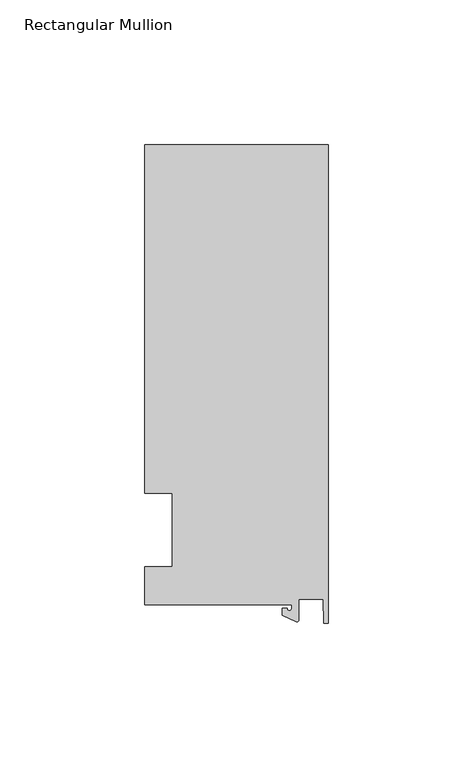
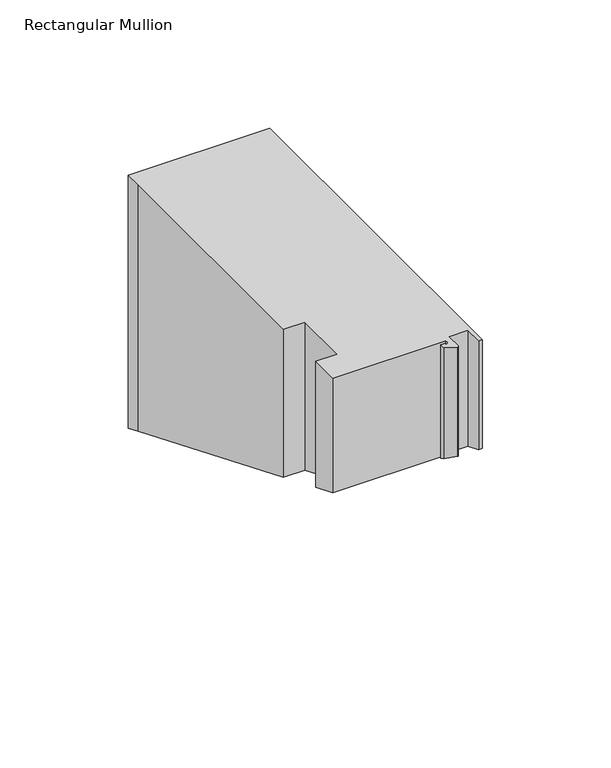
"""IFC4 building model written with IfcOpenShell, lengths in millimetres: member geometry, Rectangular Mullion."""

from ifc_helpers import new_model, si_unit, frame, origin, place, context, project, spatial, polyline, circle_curve, ellipse_curve, source, transform, mapped, element, save
from ifc_brep_helpers import plane_surface, cylinder_surface, revolved_surface, advanced_brep


def rectangular_mullion_0b02ddea(model_context):
    return source(origin(), model_context, "Body", "AdvancedBrep", [
        advanced_brep(
        [(-12.6173814, -25.796875, 0.0), (-12.6173814, -27.0827507, 0.0), (-14.2048814, -27.0827507, 0.0), (-15.7923814, -27.0827507, 0.0), (-15.7923814, -29.44495, 0.0), (-10.9524715, -31.7018371, 0.0), (-10.2297814, -31.2414327, 0.0), (-10.2297814, -23.9227662, 0.0), (-1.7144124, -23.9227662, 0.0), (-1.5658966, -32.288874, 0.0), (0.0, -32.288874, 0.0), (0.0, 133.34365, 0.0), (-63.5, 133.34365, 0.0), (-63.5, 125.8114907, 0.0), (-63.5, 12.7, 0.0), (-53.975, 12.7, 0.0), (-53.975, -12.7, 0.0), (-63.5, -12.7, 0.0), (-63.5, -25.796875, 0.0), (-12.6173814, -25.796875, -54.4020845), (-12.6173814, -27.0827507, -53.8694574), (-14.2048814, -27.0827507, -53.8694574), (-15.7923814, -27.0827507, -53.8694574), (-15.7923814, -29.44495, -52.8910024), (-10.9524715, -31.7018371, -51.9561691), (-10.2297814, -31.2414327, -52.1468749), (-10.2297814, -23.9227662, -55.1783658), (-1.7144124, -23.9227662, -55.1783658), (-1.5658966, -32.288874, -51.7130105), (0.0, -32.288874, -51.7130105), (0.0, 133.34365, -120.3202483), (-63.5, 133.34365, -120.3202483), (-63.5, 125.8114907, -117.2003257), (-63.5, 12.7, -70.3480122), (-53.975, 12.7, -70.3480122), (-53.975, -12.7, -59.8269878), (-63.5, -12.7, -59.8269878), (-63.5, -25.796875, -54.4020845)],
        [
            (0, 1),
            (1, 2, circle_curve(frame((-13.4111314, -27.0827507, 0.0), z_axis=(0.0, 0.0, -1.0), x_axis=(-1.0, 0.0, 0.0)), 0.79375)),
            (2, 3),
            (3, 4),
            (4, 5),
            (5, 6, circle_curve(frame((-10.7377814, -31.2414327, 0.0), z_axis=(0.0, 0.0, 1.0), x_axis=(-1.0, 0.0, 0.0)), 0.508)),
            (6, 7),
            (7, 8),
            (8, 9),
            (9, 10),
            (10, 11),
            (11, 12),
            (12, 13),
            (13, 14),
            (14, 15),
            (15, 16),
            (16, 17),
            (17, 18),
            (18, 0),
            (0, 19),
            (19, 20),
            (20, 1),
            (20, 21, ellipse_curve(frame((-13.4111314, -27.0827507, -53.8694574), z_axis=(0.0, -0.3826834323650925, -0.9238795325112856), x_axis=(0.0, 0.9238795325112857, -0.38268343236509245)), 0.8591488, 0.79375)),
            (21, 2),
            (21, 22),
            (22, 3),
            (22, 23),
            (23, 4),
            (23, 24),
            (24, 5),
            (24, 25, ellipse_curve(frame((-10.7377814, -31.2414327, -52.1468749), z_axis=(0.0, 0.3826834323650925, 0.9238795325112856), x_axis=(0.0, -0.9238795325112857, 0.38268343236509245)), 0.5498552, 0.508)),
            (25, 6),
            (25, 26),
            (26, 7),
            (26, 27),
            (27, 8),
            (27, 28),
            (28, 9),
            (28, 29),
            (29, 10),
            (29, 30),
            (30, 11),
            (30, 31),
            (31, 12),
            (13, 32),
            (32, 33),
            (33, 14),
            (33, 34),
            (34, 15),
            (34, 35),
            (35, 16),
            (35, 36),
            (36, 17),
            (36, 37),
            (37, 18),
            (37, 19),
            (32, 31),
        ],
        [
            plane_surface(frame((0.0, -147.6914994, 0.0), z_axis=(0.0, 0.0, 1.0), x_axis=(-1.0, 0.0, 0.0))),
            plane_surface(frame((-12.6173814, -25.796875, 0.0), z_axis=(-1.0, 0.0, 0.0), x_axis=(0.0, 0.0, -1.0))),
            revolved_surface(polyline([(-14.2048814, -27.0827507, -54.19823941169635), (-14.2048814, -27.0827507, 0.0)]), (-13.4111314, -27.0827507, 0.0), (0.0, 0.0, -1.0)),
            plane_surface(frame((-14.2048814, -27.0827507, 0.0), z_axis=(0.0, 1.0, 0.0), x_axis=(0.0, 0.0, -1.0))),
            plane_surface(frame((-15.7923814, -27.0827507, 0.0), z_axis=(-1.0, 0.0, 0.0), x_axis=(0.0, 0.0, -1.0))),
            plane_surface(frame((-15.7923814, -29.44495, 0.0), z_axis=(-0.4226182617406985, -0.9063077870366505, 0.0), x_axis=(0.0, 0.0, -1.0))),
            cylinder_surface(frame((-10.7377814, -31.2414327, 0.0), z_axis=(0.0, 0.0, 1.0), x_axis=(-1.0, 0.0, 0.0)), 0.508),
            plane_surface(frame((-10.2297814, -31.2414327, 0.0), z_axis=(1.0, 0.0, 0.0), x_axis=(0.0, 0.0, -1.0))),
            plane_surface(frame((-10.2297814, -23.9227662, 0.0), z_axis=(0.0, -1.0, 0.0), x_axis=(0.0, 0.0, -1.0))),
            plane_surface(frame((-1.7144124, -23.9227662, 0.0), z_axis=(-0.9998424690407919, -0.017749284560600327, 0.0), x_axis=(0.0, 0.0, -1.0))),
            plane_surface(frame((-1.5658966, -32.288874, 0.0), z_axis=(0.0, -1.0, 0.0), x_axis=(0.0, 0.0, -1.0))),
            plane_surface(frame((0.0, -32.288874, 0.0), z_axis=(1.0, 0.0, 0.0), x_axis=(0.0, 0.0, -1.0))),
            plane_surface(frame((0.0, 133.34365, 0.0), z_axis=(0.0, 1.0, 0.0), x_axis=(0.0, 0.0, -1.0))),
            plane_surface(frame((-63.5, 125.8114907, 0.0), z_axis=(-1.0, 0.0, 0.0), x_axis=(0.0, 0.0, -1.0))),
            plane_surface(frame((-63.5, 12.7, 0.0), z_axis=(0.0, -1.0, 0.0), x_axis=(0.0, 0.0, -1.0))),
            plane_surface(frame((-53.975, 12.7, 0.0), z_axis=(-1.0, 0.0, 0.0), x_axis=(0.0, 0.0, -1.0))),
            plane_surface(frame((-53.975, -12.7, 0.0), z_axis=(0.0, 1.0, 0.0), x_axis=(0.0, 0.0, -1.0))),
            plane_surface(frame((-63.5, -12.7, 0.0), z_axis=(-1.0, 0.0, 0.0), x_axis=(0.0, 0.0, -1.0))),
            plane_surface(frame((-63.5, -25.796875, 0.0), z_axis=(0.0, -1.0, 0.0), x_axis=(0.0, 0.0, -1.0))),
            plane_surface(frame((304.8, 0.0, -65.0875), z_axis=(0.0, -0.3826834323650925, -0.9238795325112856), x_axis=(0.0, -0.9238795325112856, 0.3826834323650925))),
            plane_surface(frame((-63.5, 133.34365, 0.0), z_axis=(-1.0, 0.0, 0.0), x_axis=(0.0, 0.0, -1.0))),
        ],
        [
            (0, [[1, 2, 3, 4, 5, 6, 7, 8, 9, 10, 11, 12, 13, 14, 15, 16, 17, 18, 19]]),
            (1, [[-1, 20, 21, 22]]),
            (2, [[-2, -22, 23, 24]]),
            (3, [[-3, -24, 25, 26]]),
            (4, [[-4, -26, 27, 28]]),
            (5, [[-5, -28, 29, 30]]),
            (6, [[-6, -30, 31, 32]]),
            (7, [[-7, -32, 33, 34]]),
            (8, [[-8, -34, 35, 36]]),
            (9, [[-9, -36, 37, 38]]),
            (10, [[-10, -38, 39, 40]]),
            (11, [[-11, -40, 41, 42]]),
            (12, [[-12, -42, 43, 44]]),
            (13, [[-14, 45, 46, 47]]),
            (14, [[-15, -47, 48, 49]]),
            (15, [[-16, -49, 50, 51]]),
            (16, [[-17, -51, 52, 53]]),
            (17, [[-18, -53, 54, 55]]),
            (18, [[-19, -55, 56, -20]]),
            (19, [[-56, -54, -52, -50, -48, -46, 57, -43, -41, -39, -37, -35, -33, -31, -29, -27, -25, -23, -21]]),
            (20, [[-13, -44, -57, -45]]),
        ],
    ),
    ])


if __name__ == "__main__":
    model = new_model("IFC4")
    model_context = context("Model", 3, world=origin())
    ifc_project = project(units=[si_unit("LENGTHUNIT", "METRE", prefix="MILLI")], contexts=[model_context])
    site = spatial("IfcSite", under=ifc_project)
    building = spatial("IfcBuilding", under=site)
    placement = place(None, origin())
    rectangular_mullion_shape = rectangular_mullion_0b02ddea(model_context)
    element("IfcMember", 1, ObjectType="Rectangular Mullion", at=placement, inside=building, context=model_context, shape_type="MappedRepresentation", body=[
        mapped(rectangular_mullion_shape, transform((0.0, 0.0, 0.0), x_axis=(1.0, 0.0, 0.0), y_axis=(0.0, 1.0, 0.0), z_axis=(0.0, 0.0, 1.0))),
    ])
    save(model, "model.ifc")
